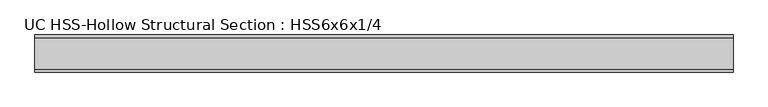
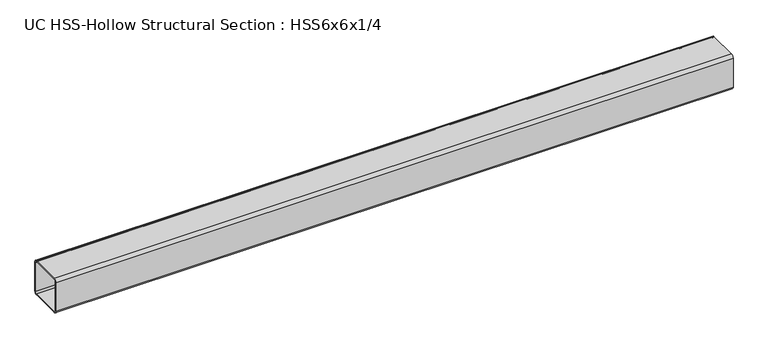
"""IFC4 building model written with IfcOpenShell, lengths in millimetres: beam geometry, UC HSS-Hollow Structural Section : HSS6x6x1/4."""

from ifc_helpers import new_model, si_unit, point, frame, frame_2d, origin, place, context, project, spatial, polyline, circle_curve, trimmed, segment, composite_curve, outline, extrude, source, transform, mapped, element, save


def uc_hss_hollow_structural_section_hss6x6x1_4_95f61b57(model_context):
    return source(origin(), model_context, "Body", "SweptSolid", [
        extrude(outline(composite_curve([segment(polyline([(76.2, 64.3636), (76.2, -64.3636)]), True, "CONTINUOUS"), segment(trimmed(circle_curve(frame_2d((64.3636, -64.3636)), 11.8364), [point((76.2, -64.3636))], [point((64.3636, -76.2))], False, "CARTESIAN"), True, "CONTINUOUS"), segment(polyline([(64.3636, -76.2), (-64.3636, -76.2)]), True, "CONTINUOUS"), segment(trimmed(circle_curve(frame_2d((-64.3636, -64.3636)), 11.8364), [point((-64.3636, -76.2))], [point((-76.2, -64.3636))], False, "CARTESIAN"), True, "CONTINUOUS"), segment(polyline([(-76.2, -64.3636), (-76.2, 64.3636)]), True, "CONTINUOUS"), segment(trimmed(circle_curve(frame_2d((-64.3636, 64.3636)), 11.8364), [point((-76.2, 64.3636))], [point((-64.3636, 76.2))], False, "CARTESIAN"), True, "CONTINUOUS"), segment(polyline([(-64.3636, 76.2), (64.3636, 76.2)]), True, "CONTINUOUS"), segment(trimmed(circle_curve(frame_2d((64.3636, 64.3636)), 11.8364), [point((64.3636, 76.2))], [point((76.2, 64.3636))], False, "CARTESIAN"), True, "CONTINUOUS")], self_intersect=False), holes=[composite_curve([segment(trimmed(circle_curve(frame_2d((-64.3636, 64.3636)), 5.9182), [point((-64.3636, 70.2818))], [point((-70.2818, 64.3636))], True, "CARTESIAN"), True, "CONTINUOUS"), segment(polyline([(-70.2818, 64.3636), (-70.2818, -64.3636)]), True, "CONTINUOUS"), segment(trimmed(circle_curve(frame_2d((-64.3636, -64.3636)), 5.9182), [point((-70.2818, -64.3636))], [point((-64.3636, -70.2818))], True, "CARTESIAN"), True, "CONTINUOUS"), segment(polyline([(-64.3636, -70.2818), (64.3636, -70.2818)]), True, "CONTINUOUS"), segment(trimmed(circle_curve(frame_2d((64.3636, -64.3636)), 5.9182), [point((64.3636, -70.2818))], [point((70.2818, -64.3636))], True, "CARTESIAN"), True, "CONTINUOUS"), segment(polyline([(70.2818, -64.3636), (70.2818, 64.3636)]), True, "CONTINUOUS"), segment(trimmed(circle_curve(frame_2d((64.3636, 64.3636)), 5.9182), [point((70.2818, 64.3636))], [point((64.3636, 70.2818))], True, "CARTESIAN"), True, "CONTINUOUS"), segment(polyline([(64.3636, 70.2818), (-64.3636, 70.2818)]), True, "CONTINUOUS")], self_intersect=False)]), frame((-1059.5774677, 0.0, 0.0), z_axis=(1.0, 0.0, 0.0), x_axis=(0.0, 1.0, 0.0)), (0.0, 0.0, 1.0), 2864.113481),
    ])


if __name__ == "__main__":
    model = new_model("IFC4")
    model_context = context("Model", 3, world=origin())
    ifc_project = project(units=[si_unit("LENGTHUNIT", "METRE", prefix="MILLI")], contexts=[model_context])
    site = spatial("IfcSite", under=ifc_project)
    building = spatial("IfcBuilding", under=site)
    placement = place(None, origin())
    uc_hss_hollow_structural_section_hss6x6x1_4_shape = uc_hss_hollow_structural_section_hss6x6x1_4_95f61b57(model_context)
    element("IfcBeam", 1, ObjectType="UC HSS-Hollow Structural Section : HSS6x6x1/4", at=placement, inside=building, context=model_context, shape_type="MappedRepresentation", body=[
        mapped(uc_hss_hollow_structural_section_hss6x6x1_4_shape, transform((0.0, 0.0, 0.0), x_axis=(1.0, 0.0, 0.0), y_axis=(0.0, 1.0, 0.0), z_axis=(0.0, 0.0, 1.0))),
    ])
    save(model, "model.ifc")
